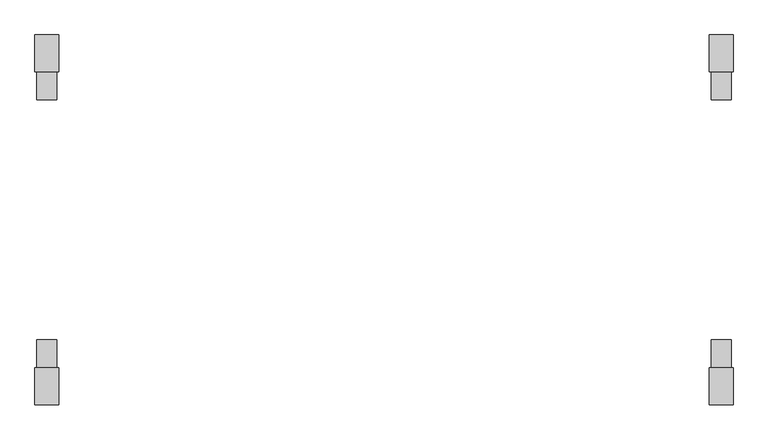
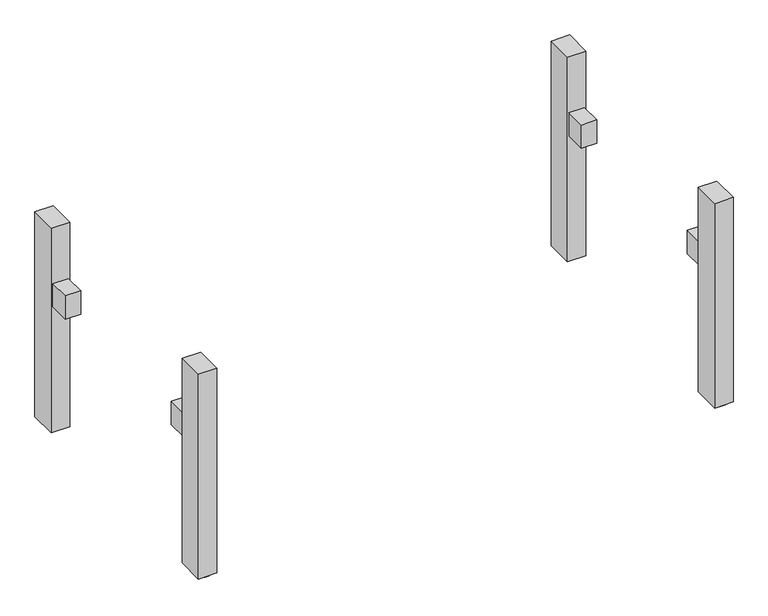
"""IFC4 building model written with IfcOpenShell, lengths in millimetres: furniture geometry."""

from ifc_helpers import new_model, si_unit, point, frame, frame_2d, origin, origin_with_axes, place, context, project, spatial, polyline, circle_curve, trimmed, segment, composite_curve, outline, extrude, source, transform, mapped, element, save


def furniture_a183a587(model_context):
    return source(origin(), model_context, "Body", "SweptSolid", [
        extrude(outline(polyline([(-865.0, 369.0), (-815.0, 369.0), (-815.0, 299.0), (-865.0, 299.0), (-865.0, 369.0)])), frame((0.0, 0.0, 437.5), z_axis=(0.0, 0.0, 1.0), x_axis=(1.0, 0.0, 0.0)), (0.0, 0.0, 1.0), 80.0),
        extrude(outline(polyline([(815.0, 369.0), (865.0, 369.0), (865.0, 299.0), (815.0, 299.0), (815.0, 369.0)])), frame((0.0, 0.0, 437.5), z_axis=(0.0, 0.0, 1.0), x_axis=(1.0, 0.0, 0.0)), (0.0, 0.0, 1.0), 80.0),
        extrude(outline(polyline([(-815.0, -369.0), (-865.0, -369.0), (-865.0, -299.0), (-815.0, -299.0), (-815.0, -369.0)])), frame((0.0, 0.0, 437.5), z_axis=(0.0, 0.0, 1.0), x_axis=(1.0, 0.0, 0.0)), (0.0, 0.0, 1.0), 80.0),
        extrude(outline(polyline([(865.0, -369.0), (815.0, -369.0), (815.0, -299.0), (865.0, -299.0), (865.0, -369.0)])), frame((0.0, 0.0, 437.5), z_axis=(0.0, 0.0, 1.0), x_axis=(1.0, 0.0, 0.0)), (0.0, 0.0, 1.0), 80.0),
        extrude(outline(composite_curve([segment(trimmed(circle_curve(frame_2d((-839.9999984, 431.0)), 25.0), [point((-864.9999984, 431.0))], [point((-814.9999984, 431.0))], False, "CARTESIAN"), True, "CONTINUOUS"), segment(trimmed(circle_curve(frame_2d((-839.9999984, 431.0)), 25.0), [point((-814.9999984, 431.0))], [point((-864.9999984, 431.0))], False, "CARTESIAN"), True, "CONTINUOUS")], self_intersect=False)), origin_with_axes(), (0.0, 0.0, 1.0), 6.0),
        extrude(outline(composite_curve([segment(trimmed(circle_curve(frame_2d((839.9999984, 431.0)), 25.0), [point((814.9999984, 431.0))], [point((864.9999984, 431.0))], False, "CARTESIAN"), True, "CONTINUOUS"), segment(trimmed(circle_curve(frame_2d((839.9999984, 431.0)), 25.0), [point((864.9999984, 431.0))], [point((814.9999984, 431.0))], False, "CARTESIAN"), True, "CONTINUOUS")], self_intersect=False)), origin_with_axes(), (0.0, 0.0, 1.0), 6.0),
        extrude(outline(composite_curve([segment(trimmed(circle_curve(frame_2d((-839.9999984, -431.0)), 25.0), [point((-864.9999984, -431.0))], [point((-814.9999984, -431.0))], False, "CARTESIAN"), True, "CONTINUOUS"), segment(trimmed(circle_curve(frame_2d((-839.9999984, -431.0)), 25.0), [point((-814.9999984, -431.0))], [point((-864.9999984, -431.0))], False, "CARTESIAN"), True, "CONTINUOUS")], self_intersect=False)), origin_with_axes(), (0.0, 0.0, 1.0), 6.0),
        extrude(outline(composite_curve([segment(trimmed(circle_curve(frame_2d((839.9999984, -431.0)), 25.0), [point((814.9999984, -431.0))], [point((864.9999984, -431.0))], False, "CARTESIAN"), True, "CONTINUOUS"), segment(trimmed(circle_curve(frame_2d((839.9999984, -431.0)), 25.0), [point((864.9999984, -431.0))], [point((814.9999984, -431.0))], False, "CARTESIAN"), True, "CONTINUOUS")], self_intersect=False)), origin_with_axes(), (0.0, 0.0, 1.0), 6.0),
        extrude(outline(polyline([(-809.9999968, -461.0), (-870.0, -461.0), (-870.0, -369.0), (-809.9999968, -369.0), (-809.9999968, -461.0)])), frame((0.0, 0.0, 6.0), z_axis=(0.0, 0.0, 1.0), x_axis=(1.0, 0.0, 0.0)), (0.0, 0.0, 1.0), 704.0),
        extrude(outline(polyline([(809.9999968, -461.0), (809.9999968, -369.0), (870.0, -369.0), (870.0, -461.0), (809.9999968, -461.0)])), frame((0.0, 0.0, 6.0), z_axis=(0.0, 0.0, 1.0), x_axis=(1.0, 0.0, 0.0)), (0.0, 0.0, 1.0), 704.0),
        extrude(outline(polyline([(-809.9999968, 461.0), (-809.9999968, 369.0), (-870.0, 369.0), (-870.0, 461.0), (-809.9999968, 461.0)])), frame((0.0, 0.0, 6.0), z_axis=(0.0, 0.0, 1.0), x_axis=(1.0, 0.0, 0.0)), (0.0, 0.0, 1.0), 704.0),
        extrude(outline(polyline([(809.9999968, 461.0), (870.0, 461.0), (870.0, 369.0), (809.9999968, 369.0), (809.9999968, 461.0)])), frame((0.0, 0.0, 6.0), z_axis=(0.0, 0.0, 1.0), x_axis=(1.0, 0.0, 0.0)), (0.0, 0.0, 1.0), 704.0),
    ])


if __name__ == "__main__":
    model = new_model("IFC4")
    model_context = context("Model", 3, world=origin())
    ifc_project = project(units=[si_unit("LENGTHUNIT", "METRE", prefix="MILLI")], contexts=[model_context])
    site = spatial("IfcSite", under=ifc_project)
    building = spatial("IfcBuilding", under=site)
    placement = place(None, origin())
    furniture_shape = furniture_a183a587(model_context)
    element("IfcFurniture", 1, at=placement, inside=building, context=model_context, shape_type="MappedRepresentation", body=[
        mapped(furniture_shape, transform((0.0, 0.0, 0.0), x_axis=(1.0, 0.0, 0.0), y_axis=(0.0, 1.0, 0.0), z_axis=(0.0, 0.0, 1.0))),
    ])
    save(model, "model.ifc")
